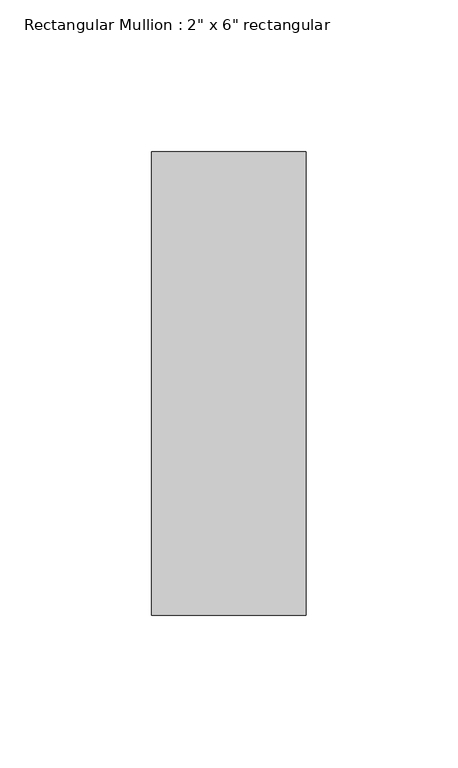
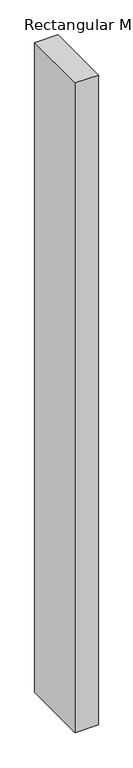
"""IFC4 building model written with IfcOpenShell, lengths in millimetres: member geometry."""

from ifc_helpers import new_model, si_unit, frame, origin, place, context, project, spatial, polyline, outline, extrude, source, transform, mapped, element, save


def member_fea29e01(model_context):
    return source(origin(), model_context, "Body", "SweptSolid", [
        extrude(outline(polyline([(25.4, 76.2), (25.4, -76.2), (-25.4, -76.2), (-25.4, 76.2), (25.4, 76.2)])), frame((0.0, 0.0, -1499.049103), z_axis=(0.0, 0.0, 1.0), x_axis=(1.0, 0.0, 0.0)), (0.0, 0.0, 1.0), 1499.049103),
    ])


if __name__ == "__main__":
    model = new_model("IFC4")
    model_context = context("Model", 3, world=origin())
    ifc_project = project(units=[si_unit("LENGTHUNIT", "METRE", prefix="MILLI")], contexts=[model_context])
    site = spatial("IfcSite", under=ifc_project)
    building = spatial("IfcBuilding", under=site)
    placement = place(None, origin())
    member_shape = member_fea29e01(model_context)
    element("IfcMember", 1, ObjectType="Rectangular Mullion : 2\" x 6\" rectangular", at=placement, inside=building, context=model_context, shape_type="MappedRepresentation", body=[
        mapped(member_shape, transform((0.0, 0.0, 0.0), x_axis=(1.0, 0.0, 0.0), y_axis=(0.0, 1.0, 0.0), z_axis=(0.0, 0.0, 1.0))),
    ])
    save(model, "model.ifc")
